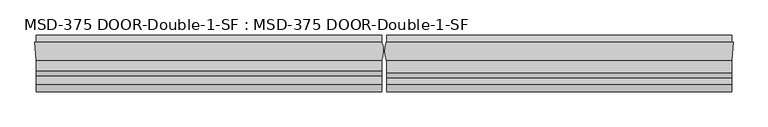
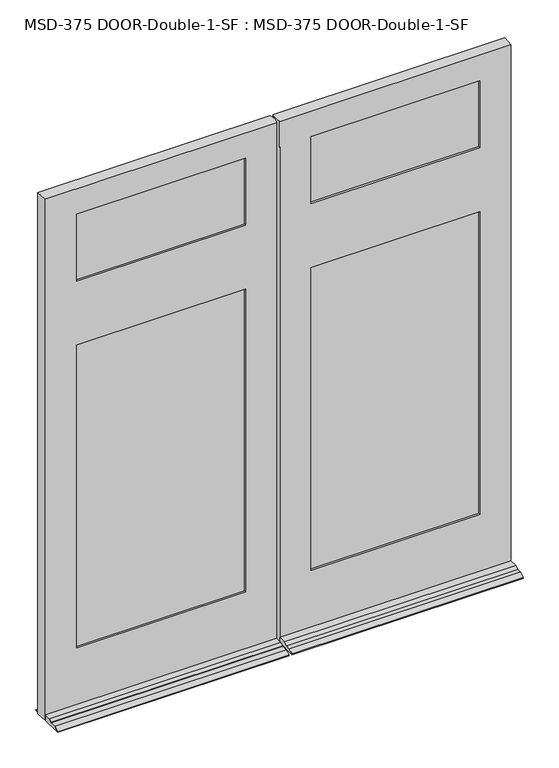
"""IFC4 building model written with IfcOpenShell, lengths in millimetres: plate geometry, MSD-375 DOOR-Double-1-SF : MSD-375 DOOR-Double-1-SF."""

from ifc_helpers import new_model, si_unit, frame, origin, place, context, project, spatial, polyline, circle_curve, outline, extrude, source, transform, mapped, element, save
from ifc_brep_helpers import plane_surface, cylinder_surface, advanced_brep


def msd_375_door_double_1_sf_msd_375_door_double_1_sf_9c997aa2(model_context):
    return source(origin(), model_context, "Body", "SolidModel", [
        advanced_brep(
        [(-875.0542327, -44.45, 0.0), (-877.8228327, 0.0, 0.0), (-874.8313901, 0.0, 0.0), (-874.8313901, 19.05, 0.0), (-6.1450388, 19.05, 0.0), (-6.1450388, 0.0, 0.0), (-5.5889985, 0.0, 0.0), (-6.1450388, -44.45, 0.0), (-6.1450388, -123.825, 0.0), (-874.8313901, -123.825, 0.0), (-874.8313901, -44.45, 0.0), (-6.1450388, -44.45, 21.4376), (-6.1450388, -70.3199, 21.4376), (-6.1450388, -82.7405, 14.2748), (-6.1450388, -82.7405, 12.7), (-6.1450388, -104.775, 12.7), (-6.1450388, -123.825, 3.175), (-6.1450388, 19.05, 3.175), (-6.1450388, 0.0, 12.7), (-874.8313901, 0.0, 12.7), (-874.8313901, 19.05, 3.175), (-874.8313901, -123.825, 3.175), (-874.8313901, -104.775, 12.7), (-874.8313901, -82.7405, 12.7), (-874.8313901, -82.7405, 14.2748), (-874.8313901, -70.3199, 21.4376), (-874.8313901, -44.45, 21.4376), (-122.2373508, -11.6078, 1683.5374), (-122.2373508, -37.0078, 1683.5374), (-122.2373508, -37.0078, 1469.2122), (-122.2373508, -11.6078, 1469.2122), (-122.2373508, 0.0, 1449.3748), (-122.2373508, 0.0, 246.0625), (-122.2373508, -11.6078, 246.0625), (-122.2373508, -11.6078, 1449.3748), (-122.2373508, -11.6078, 1703.3748), (-122.2373508, -11.6078, 1968.5), (-122.2373508, 0.0, 1968.5), (-122.2373508, 0.0, 1703.3748), (-102.3999508, -37.0078, 1988.3374), (-102.3999508, -11.6078, 1988.3374), (-102.3999508, -11.6078, 226.21875), (-102.3999508, -37.0078, 226.21875), (-122.2373508, -37.0078, 1449.3748), (-122.2373508, -37.0078, 246.0625), (-122.2373508, -44.45, 246.0625), (-122.2373508, -44.45, 1449.3748), (-122.2373508, -44.45, 1703.3748), (-122.2373508, -44.45, 1968.5), (-122.2373508, -37.0078, 1968.5), (-122.2373508, -37.0078, 1703.3748), (-757.1728327, -44.45, 246.0625), (-757.1728327, -37.0078, 246.0625), (-757.1728327, -37.0078, 1449.3748), (-757.1728327, -44.45, 1449.3748), (-757.1728327, -37.0078, 1968.5), (-757.1728327, -44.45, 1968.5), (-757.1728327, -44.45, 1703.3748), (-757.1728327, -37.0078, 1703.3748), (-777.0102327, -11.6078, 1988.3374), (-777.0102327, -37.0078, 1988.3374), (-777.0102327, -37.0078, 226.21875), (-777.0102327, -11.6078, 226.21875), (-757.1728327, -11.6078, 246.0625), (-757.1728327, 0.0, 246.0625), (-757.1728327, 0.0, 1449.3748), (-757.1728327, -11.6078, 1449.3748), (-757.1728327, 0.0, 1968.5), (-757.1728327, -11.6078, 1968.5), (-757.1728327, -11.6078, 1703.3748), (-757.1728327, 0.0, 1703.3748), (-757.1728327, -11.6078, 1683.5374), (-757.1728327, -37.0078, 1683.5374), (-757.1728327, -37.0078, 1469.2122), (-757.1728327, -11.6078, 1469.2122), (-5.5889985, 0.0, 2070.1), (-6.1450388, -44.45, 2070.1), (-875.0542327, -44.45, 2070.1), (-877.8228327, 0.0, 2070.1)],
        [
            (0, 1),
            (1, 2),
            (2, 3),
            (3, 4),
            (4, 5),
            (5, 6),
            (6, 7, circle_curve(frame((-61.4514685, -21.529675, 0.0), z_axis=(0.0, 0.0, -1.0), x_axis=(0.0, -1.0, 0.0)), 59.867708)),
            (7, 8),
            (8, 9),
            (9, 10),
            (10, 0),
            (11, 12),
            (12, 13),
            (13, 14),
            (14, 15),
            (15, 16),
            (16, 8),
            (7, 11),
            (4, 17),
            (17, 18),
            (18, 5),
            (19, 20),
            (20, 3),
            (2, 19),
            (9, 21),
            (21, 22),
            (22, 23),
            (23, 24),
            (24, 25),
            (25, 26),
            (26, 10),
            (27, 28),
            (28, 29),
            (29, 30),
            (30, 27),
            (31, 32),
            (32, 33),
            (33, 34),
            (34, 31),
            (35, 36),
            (36, 37),
            (37, 38),
            (38, 35),
            (39, 40),
            (40, 41),
            (41, 42),
            (42, 39),
            (43, 44),
            (44, 45),
            (45, 46),
            (46, 43),
            (47, 48),
            (48, 49),
            (49, 50),
            (50, 47),
            (51, 52),
            (52, 53),
            (53, 54),
            (54, 51),
            (55, 56),
            (56, 57),
            (57, 58),
            (58, 55),
            (59, 60),
            (60, 61),
            (61, 62),
            (62, 59),
            (63, 64),
            (64, 65),
            (65, 66),
            (66, 63),
            (67, 68),
            (68, 69),
            (69, 70),
            (70, 67),
            (63, 33),
            (32, 64),
            (61, 42),
            (41, 62),
            (51, 45),
            (44, 52),
            (11, 26),
            (25, 12),
            (24, 13),
            (23, 14),
            (22, 15),
            (21, 16),
            (20, 17),
            (19, 18),
            (38, 70),
            (69, 35),
            (27, 71),
            (71, 72),
            (72, 28),
            (50, 58),
            (57, 47),
            (46, 54),
            (53, 43),
            (29, 73),
            (73, 74),
            (74, 30),
            (34, 66),
            (65, 31),
            (75, 76, circle_curve(frame((-61.4514685, -21.529675, 2070.1), z_axis=(0.0, 0.0, -1.0), x_axis=(0.0, -1.0, 0.0)), 59.867708)),
            (76, 11),
            (6, 75),
            (77, 78),
            (78, 1),
            (0, 77),
            (78, 75),
            (37, 67),
            (36, 68),
            (40, 59),
            (74, 71),
            (39, 60),
            (49, 55),
            (72, 73),
            (48, 56),
            (76, 77),
        ],
        [
            plane_surface(frame((-882.65, -24.3078, 0.0), z_axis=(0.0, 0.0, -1.0), x_axis=(0.0, -1.0, 0.0))),
            plane_surface(frame((-6.1450388, -24.3078, 0.0), z_axis=(1.0, 0.0, 0.0), x_axis=(0.0, -1.0, 0.0))),
            plane_surface(frame((-874.8313901, -24.3078, 0.0), z_axis=(-1.0, 0.0, 0.0), x_axis=(0.0, -1.0, 0.0))),
            plane_surface(frame((-122.2373508, -24.3078, 1041.4), z_axis=(1.0, 0.0, 0.0), x_axis=(0.0, -1.0, 0.0))),
            plane_surface(frame((-122.2373508, 0.0, 2070.1), z_axis=(-1.0, 0.0, 0.0), x_axis=(0.0, 0.0, -1.0))),
            plane_surface(frame((-102.3999508, -11.6078, 2070.1), z_axis=(-1.0, 0.0, 0.0), x_axis=(0.0, 0.0, -1.0))),
            plane_surface(frame((-122.2373508, -37.0078, 2070.1), z_axis=(-1.0, 0.0, 0.0), x_axis=(0.0, 0.0, -1.0))),
            plane_surface(frame((-757.1728327, -44.45, 2070.1), z_axis=(1.0, 0.0, 0.0), x_axis=(0.0, 0.0, -1.0))),
            plane_surface(frame((-777.0102327, -37.0078, 2070.1), z_axis=(1.0, 0.0, 0.0), x_axis=(0.0, 0.0, -1.0))),
            plane_surface(frame((-757.1728327, -11.6078, 2070.1), z_axis=(1.0, 0.0, 0.0), x_axis=(0.0, 0.0, -1.0))),
            plane_surface(frame((-6.1450388, 0.0, 246.0625), z_axis=(0.0, 0.0, 1.0), x_axis=(-1.0, 0.0, 0.0))),
            plane_surface(frame((-6.1450388, -11.6078, 226.21875), z_axis=(0.0, 0.0, 1.0), x_axis=(-1.0, 0.0, 0.0))),
            plane_surface(frame((-6.1450388, -37.0078, 246.0625), z_axis=(0.0, 0.0, 1.0), x_axis=(-1.0, 0.0, 0.0))),
            plane_surface(frame((-6.1450388, -44.45, 21.4376), z_axis=(0.0, 0.0, 1.0), x_axis=(-1.0, 0.0, 0.0))),
            plane_surface(frame((-6.1450388, -70.3199, 21.4376), z_axis=(0.0, -0.499569084188723, 0.8662740502420933), x_axis=(-1.0, 0.0, 0.0))),
            plane_surface(frame((-6.1450388, -82.7405, 14.2748), z_axis=(0.0, -1.0, 0.0), x_axis=(-1.0, 0.0, 0.0))),
            plane_surface(frame((-6.1450388, -82.7405, 12.7), z_axis=(0.0, 0.0, 1.0), x_axis=(-1.0, 0.0, 0.0))),
            plane_surface(frame((-6.1450388, -104.775, 12.7), z_axis=(0.0, -0.44721359549995665, 0.8944271909999165), x_axis=(-1.0, 0.0, 0.0))),
            plane_surface(frame((-6.1450388, -123.825, 3.175), z_axis=(0.0, -1.0, 0.0), x_axis=(-1.0, 0.0, 0.0))),
            plane_surface(frame((-6.1450388, 19.05, 0.0), z_axis=(0.0, 1.0, 0.0), x_axis=(-1.0, 0.0, 0.0))),
            plane_surface(frame((-6.1450388, 19.05, 3.175), z_axis=(0.0, 0.4472135954998658, 0.8944271909999619), x_axis=(-1.0, 0.0, 0.0))),
            plane_surface(frame((-122.2373508, 0.0, 1703.3748), z_axis=(0.0, 0.0, 1.0), x_axis=(-1.0, 0.0, 0.0))),
            plane_surface(frame((-122.2373508, -11.6078, 1683.5374), z_axis=(0.0, 0.0, 1.0), x_axis=(-1.0, 0.0, 0.0))),
            plane_surface(frame((-122.2373508, -37.0078, 1703.3748), z_axis=(0.0, 0.0, 1.0), x_axis=(-1.0, 0.0, 0.0))),
            plane_surface(frame((-122.2373508, -44.45, 1449.3748), z_axis=(0.0, 0.0, -1.0), x_axis=(-1.0, 0.0, 0.0))),
            plane_surface(frame((-122.2373508, -37.0078, 1469.2122), z_axis=(0.0, 0.0, -1.0), x_axis=(-1.0, 0.0, 0.0))),
            plane_surface(frame((-122.2373508, -11.6078, 1449.3748), z_axis=(0.0, 0.0, -1.0), x_axis=(-1.0, 0.0, 0.0))),
            cylinder_surface(frame((-61.4514685, -21.529675, 2070.1), z_axis=(0.0, 0.0, 1.0), x_axis=(0.0, -1.0, 0.0)), 59.867708),
            plane_surface(frame((-877.8228327, 0.0, 2070.1), z_axis=(-0.9980658706879192, -0.06216524565998223, 0.0), x_axis=(0.0, 0.0, -1.0))),
            plane_surface(frame((-875.0542327, 0.0, 2070.1), z_axis=(0.0, 1.0, 0.0), x_axis=(1.0, 0.0, 0.0))),
            plane_surface(frame((-875.0542327, 0.0, 1968.5), z_axis=(0.0, 0.0, -1.0), x_axis=(1.0, 0.0, 0.0))),
            plane_surface(frame((-875.0542327, -11.6078, 1968.5), z_axis=(0.0, -1.0, 0.0), x_axis=(1.0, 0.0, 0.0))),
            plane_surface(frame((-875.0542327, -11.6078, 1988.3374), z_axis=(0.0, 0.0, -1.0), x_axis=(1.0, 0.0, 0.0))),
            plane_surface(frame((-875.0542327, -37.0078, 1988.3374), z_axis=(0.0, 1.0, 0.0), x_axis=(1.0, 0.0, 0.0))),
            plane_surface(frame((-875.0542327, -37.0078, 1968.5), z_axis=(0.0, 0.0, -1.0), x_axis=(1.0, 0.0, 0.0))),
            plane_surface(frame((-875.0542327, -44.45, 1968.5), z_axis=(0.0, -1.0, 0.0), x_axis=(1.0, 0.0, 0.0))),
            plane_surface(frame((-875.0542327, -44.45, 2070.1), z_axis=(0.0, 0.0, 1.0), x_axis=(1.0, 0.0, 0.0))),
            plane_surface(frame((-757.1728327, -24.3078, 1041.4), z_axis=(-1.0, 0.0, 0.0), x_axis=(0.0, -1.0, 0.0))),
        ],
        [
            (0, [[1, 2, 3, 4, 5, 6, 7, 8, 9, 10, 11]]),
            (1, [[12, 13, 14, 15, 16, 17, -8, 18]]),
            (1, [[19, 20, 21, -5]]),
            (2, [[22, 23, -3, 24]]),
            (2, [[25, 26, 27, 28, 29, 30, 31, -10]]),
            (3, [[32, 33, 34, 35]]),
            (4, [[36, 37, 38, 39]]),
            (4, [[40, 41, 42, 43]]),
            (5, [[44, 45, 46, 47]]),
            (6, [[48, 49, 50, 51]]),
            (6, [[52, 53, 54, 55]]),
            (7, [[56, 57, 58, 59]]),
            (7, [[60, 61, 62, 63]]),
            (8, [[64, 65, 66, 67]]),
            (9, [[68, 69, 70, 71]]),
            (9, [[72, 73, 74, 75]]),
            (10, [[-68, 76, -37, 77]]),
            (11, [[-66, 78, -46, 79]]),
            (12, [[-56, 80, -49, 81]]),
            (13, [[-12, 82, -30, 83]]),
            (14, [[-13, -83, -29, 84]]),
            (15, [[-14, -84, -28, 85]]),
            (16, [[-15, -85, -27, 86]]),
            (17, [[-16, -86, -26, 87]]),
            (18, [[-17, -87, -25, -9]]),
            (19, [[-19, -4, -23, 88]]),
            (20, [[-20, -88, -22, 89]]),
            (21, [[90, -74, 91, -43]]),
            (22, [[-32, 92, 93, 94]]),
            (23, [[95, -62, 96, -55]]),
            (24, [[97, -58, 98, -51]]),
            (25, [[-34, 99, 100, 101]]),
            (26, [[102, -70, 103, -39]]),
            (27, [[104, 105, -18, -7, 106]]),
            (28, [[107, 108, -1, 109]]),
            (29, [[-108, 110, -106, -6, -21, -89, -24, -2], [-90, -42, 111, -75], [-103, -69, -77, -36]]),
            (30, [[-72, -111, -41, 112]]),
            (31, [[-67, -79, -45, 113], [-92, -35, -101, 114], [-102, -38, -76, -71], [-91, -73, -112, -40]]),
            (32, [[-64, -113, -44, 115]]),
            (33, [[-65, -115, -47, -78], [-95, -54, 116, -63], [-94, 117, -99, -33], [-98, -57, -81, -48]]),
            (34, [[-60, -116, -53, 118]]),
            (35, [[-109, -11, -31, -82, -105, 119], [-97, -50, -80, -59], [-96, -61, -118, -52]]),
            (36, [[-107, -119, -104, -110]]),
            (37, [[-100, -117, -93, -114]]),
        ],
    ),
        advanced_brep(
        [(6.1450388, -44.45, 0.0), (5.5889985, 0.0, 0.0), (6.1450388, 0.0, 0.0), (6.1450388, 19.05, 0.0), (874.3187994, 19.05, 0.0), (874.3187994, 0.0, 0.0), (877.310242, 0.0, 0.0), (874.541642, -44.45, 0.0), (874.3187994, -44.45, 0.0), (874.3187994, -123.825, 0.0), (6.1450388, -123.825, 0.0), (874.3187994, -44.45, 21.4376), (874.3187994, -75.87615, 21.4376), (874.3187994, -88.29675, 14.2748), (874.3187994, -88.29675, 12.7), (874.3187994, -104.775, 12.7), (874.3187994, -123.825, 3.175), (874.3187994, 19.05, 3.175), (874.3187994, 0.0, 12.7), (6.1450388, 0.0, 12.7), (6.1450388, 19.05, 3.175), (6.1450388, -123.825, 3.175), (6.1450388, -104.775, 12.7), (6.1450388, -88.29675, 12.7), (6.1450388, -88.29675, 14.2748), (6.1450388, -75.87615, 21.4376), (6.1450388, -44.45, 21.4376), (5.5889985, -44.45, 1968.5), (5.5889985, -44.45, 2070.1), (5.5889985, -43.05935, 2070.1), (5.5889985, -43.05935, 1968.5), (122.2376492, -37.0078, 1683.5374), (122.2376492, -11.6078, 1683.5374), (122.2376492, -11.6078, 1469.2249), (122.2376492, -37.0078, 1469.2249), (122.2376492, -37.0078, 1968.5), (122.2376492, -44.45, 1968.5), (122.2376492, -44.45, 1703.3748), (122.2376492, -37.0078, 1703.3748), (122.2376492, -37.0078, 1449.3748), (122.2376492, -44.45, 1449.3748), (122.2376492, -44.45, 246.0625), (122.2376492, -37.0078, 246.0625), (102.4002492, -11.6078, 226.21875), (102.4002492, -11.6078, 1988.3374), (102.4002492, -37.0078, 1988.3374), (102.4002492, -37.0078, 226.21875), (122.2376492, 0.0, 1968.5), (122.2376492, -11.6078, 1968.5), (122.2376492, -11.6078, 1703.3748), (122.2376492, 0.0, 1703.3748), (122.2376492, 0.0, 1449.3748), (122.2376492, -11.6078, 1449.3748), (122.2376492, -11.6078, 246.0625), (122.2376492, 0.0, 246.0625), (756.660242, -11.6078, 1968.5), (756.660242, 0.0, 1968.5), (756.660242, 0.0, 1703.3748), (756.660242, -11.6078, 1703.3748), (756.660242, -11.6078, 1449.3748), (756.660242, 0.0, 1449.3748), (756.660242, 0.0, 246.0625), (756.660242, -11.6078, 246.0625), (776.497642, -11.6078, 1988.3374), (776.497642, -11.6078, 226.21875), (756.660242, -11.6078, 1469.2249), (756.660242, -11.6078, 1683.5374), (776.497642, -37.0078, 226.21875), (776.497642, -37.0078, 1988.3374), (756.660242, -37.0078, 246.0625), (756.660242, -37.0078, 1449.3748), (756.660242, -37.0078, 1968.5), (756.660242, -37.0078, 1703.3748), (756.660242, -37.0078, 1469.2249), (756.660242, -37.0078, 1683.5374), (756.660242, -44.45, 1968.5), (756.660242, -44.45, 1703.3748), (756.660242, -44.45, 1449.3748), (756.660242, -44.45, 246.0625), (6.1450388, -44.45, 1968.5), (874.541642, -44.45, 2070.1), (877.310242, 0.0, 2070.1), (5.5889985, 0.0, 2070.1)],
        [
            (0, 1, circle_curve(frame((61.4514685, -21.529675, 0.0), z_axis=(0.0, 0.0, -1.0), x_axis=(0.0, -1.0, 0.0)), 59.867708)),
            (1, 2),
            (2, 3),
            (3, 4),
            (4, 5),
            (5, 6),
            (6, 7),
            (7, 8),
            (8, 9),
            (9, 10),
            (10, 0),
            (11, 12),
            (12, 13),
            (13, 14),
            (14, 15),
            (15, 16),
            (16, 9),
            (8, 11),
            (4, 17),
            (17, 18),
            (18, 5),
            (19, 20),
            (20, 3),
            (2, 19),
            (10, 21),
            (21, 22),
            (22, 23),
            (23, 24),
            (24, 25),
            (25, 26),
            (26, 0),
            (27, 28),
            (28, 29),
            (29, 30),
            (30, 27),
            (31, 32),
            (32, 33),
            (33, 34),
            (34, 31),
            (35, 36),
            (36, 37),
            (37, 38),
            (38, 35),
            (39, 40),
            (40, 41),
            (41, 42),
            (42, 39),
            (43, 44),
            (44, 45),
            (45, 46),
            (46, 43),
            (47, 48),
            (48, 49),
            (49, 50),
            (50, 47),
            (51, 52),
            (52, 53),
            (53, 54),
            (54, 51),
            (55, 56),
            (56, 57),
            (57, 58),
            (58, 55),
            (59, 60),
            (60, 61),
            (61, 62),
            (62, 59),
            (63, 44),
            (43, 64),
            (64, 63),
            (62, 53),
            (52, 59),
            (48, 55),
            (58, 49),
            (65, 33),
            (32, 66),
            (66, 65),
            (67, 68),
            (68, 63),
            (64, 67),
            (45, 68),
            (67, 46),
            (42, 69),
            (69, 70),
            (70, 39),
            (71, 35),
            (38, 72),
            (72, 71),
            (34, 73),
            (73, 74),
            (74, 31),
            (75, 71),
            (72, 76),
            (76, 75),
            (77, 70),
            (69, 78),
            (78, 77),
            (27, 79),
            (79, 26),
            (26, 11),
            (7, 80),
            (80, 28),
            (78, 41),
            (40, 77),
            (36, 75),
            (76, 37),
            (81, 80),
            (6, 81),
            (18, 19),
            (1, 82),
            (82, 81),
            (54, 61),
            (60, 51),
            (56, 47),
            (50, 57),
            (30, 79, circle_curve(frame((61.4514685, -21.529675, 1968.5), z_axis=(0.0, 0.0, 1.0), x_axis=(0.0, -1.0, 0.0)), 59.867708)),
            (25, 12),
            (65, 73),
            (74, 66),
            (29, 82, circle_curve(frame((61.4514685, -21.529675, 2070.1), z_axis=(0.0, 0.0, -1.0), x_axis=(0.0, -1.0, 0.0)), 59.867708)),
            (24, 13),
            (23, 14),
            (22, 15),
            (21, 16),
            (20, 17),
        ],
        [
            plane_surface(frame((-882.65, -24.3078, 0.0), z_axis=(0.0, 0.0, -1.0), x_axis=(0.0, -1.0, 0.0))),
            plane_surface(frame((874.3187994, -24.3078, 0.0), z_axis=(1.0, 0.0, 0.0), x_axis=(0.0, -1.0, 0.0))),
            plane_surface(frame((6.1450388, -24.3078, 0.0), z_axis=(-1.0, 0.0, 0.0), x_axis=(0.0, -1.0, 0.0))),
            plane_surface(frame((5.5889985, -24.3078, 2082.8), z_axis=(-1.0, 0.0, 0.0), x_axis=(0.0, -1.0, 0.0))),
            plane_surface(frame((122.2376492, -24.3078, 1041.4), z_axis=(-1.0, 0.0, 0.0), x_axis=(0.0, -1.0, 0.0))),
            plane_surface(frame((122.2376492, -44.45, 2070.1), z_axis=(1.0, 0.0, 0.0), x_axis=(0.0, 0.0, -1.0))),
            plane_surface(frame((102.4002492, -37.0078, 2070.1), z_axis=(1.0, 0.0, 0.0), x_axis=(0.0, 0.0, -1.0))),
            plane_surface(frame((122.2376492, -11.6078, 2070.1), z_axis=(1.0, 0.0, 0.0), x_axis=(0.0, 0.0, -1.0))),
            plane_surface(frame((756.660242, 0.0, 2070.1), z_axis=(-1.0, 0.0, 0.0), x_axis=(0.0, 0.0, -1.0))),
            plane_surface(frame((756.660242, -11.6078, 2070.1), z_axis=(0.0, -1.0, 0.0), x_axis=(0.0, 0.0, -1.0))),
            plane_surface(frame((776.497642, -11.6078, 2070.1), z_axis=(-1.0, 0.0, 0.0), x_axis=(0.0, 0.0, -1.0))),
            plane_surface(frame((776.497642, -37.0078, 2070.1), z_axis=(0.0, 1.0, 0.0), x_axis=(0.0, 0.0, -1.0))),
            plane_surface(frame((756.660242, -37.0078, 2070.1), z_axis=(-1.0, 0.0, 0.0), x_axis=(0.0, 0.0, -1.0))),
            plane_surface(frame((756.660242, -44.45, 2070.1), z_axis=(0.0, -1.0, 0.0), x_axis=(0.0, 0.0, -1.0))),
            plane_surface(frame((874.541642, -44.45, 2070.1), z_axis=(0.9980658706879184, -0.062165245659993755, 0.0), x_axis=(0.0, 0.0, -1.0))),
            plane_surface(frame((877.310242, 0.0, 2070.1), z_axis=(0.0, 1.0, 0.0), x_axis=(0.0, 0.0, -1.0))),
            plane_surface(frame((5.5889985, 0.0, 1968.5), z_axis=(0.0, 0.0, -1.0), x_axis=(1.0, 0.0, 0.0))),
            plane_surface(frame((5.5889985, -11.6078, 1988.3374), z_axis=(0.0, 0.0, -1.0), x_axis=(1.0, 0.0, 0.0))),
            plane_surface(frame((5.5889985, -37.0078, 1968.5), z_axis=(0.0, 0.0, -1.0), x_axis=(1.0, 0.0, 0.0))),
            plane_surface(frame((874.3187994, 0.0, 246.0625), z_axis=(0.0, 0.0, 1.0), x_axis=(-1.0, 0.0, 0.0))),
            plane_surface(frame((874.3187994, -11.6078, 226.21875), z_axis=(0.0, 0.0, 1.0), x_axis=(-1.0, 0.0, 0.0))),
            plane_surface(frame((874.3187994, -37.0078, 246.0625), z_axis=(0.0, 0.0, 1.0), x_axis=(-1.0, 0.0, 0.0))),
            plane_surface(frame((874.3187994, -44.45, 21.4376), z_axis=(0.0, 0.0, 1.0), x_axis=(-1.0, 0.0, 0.0))),
            plane_surface(frame((756.660242, -44.45, 1449.3748), z_axis=(0.0, 0.0, -1.0), x_axis=(-1.0, 0.0, 0.0))),
            plane_surface(frame((756.660242, -37.0078, 1469.2249), z_axis=(0.0, 0.0, -1.0), x_axis=(-1.0, 0.0, 0.0))),
            plane_surface(frame((756.660242, -11.6078, 1449.3748), z_axis=(0.0, 0.0, -1.0), x_axis=(-1.0, 0.0, 0.0))),
            plane_surface(frame((756.660242, 0.0, 1703.3748), z_axis=(0.0, 0.0, 1.0), x_axis=(-1.0, 0.0, 0.0))),
            plane_surface(frame((756.660242, -11.6078, 1683.5374), z_axis=(0.0, 0.0, 1.0), x_axis=(-1.0, 0.0, 0.0))),
            plane_surface(frame((756.660242, -37.0078, 1703.3748), z_axis=(0.0, 0.0, 1.0), x_axis=(-1.0, 0.0, 0.0))),
            cylinder_surface(frame((61.4514685, -21.529675, 2070.1), z_axis=(0.0, 0.0, 1.0), x_axis=(0.0, -1.0, 0.0)), 59.867708),
            plane_surface(frame((-875.0542327, -44.45, 2070.1), z_axis=(0.0, 0.0, 1.0), x_axis=(1.0, 0.0, 0.0))),
            plane_surface(frame((874.3187994, -75.87615, 21.4376), z_axis=(0.0, -0.49956908418867013, 0.8662740502421237), x_axis=(-1.0, 0.0, 0.0))),
            plane_surface(frame((874.3187994, -88.29675, 14.2748), z_axis=(0.0, -1.0, 0.0), x_axis=(-1.0, 0.0, 0.0))),
            plane_surface(frame((874.3187994, -88.29675, 12.7), z_axis=(0.0, 0.0, 1.0), x_axis=(-1.0, 0.0, 0.0))),
            plane_surface(frame((874.3187994, -104.775, 12.7), z_axis=(0.0, -0.44721359549996115, 0.8944271909999144), x_axis=(-1.0, 0.0, 0.0))),
            plane_surface(frame((874.3187994, -123.825, 3.175), z_axis=(0.0, -1.0, 0.0), x_axis=(-1.0, 0.0, 0.0))),
            plane_surface(frame((874.3187994, 19.05, 0.0), z_axis=(0.0, 1.0, 0.0), x_axis=(-1.0, 0.0, 0.0))),
            plane_surface(frame((874.3187994, 19.05, 3.175), z_axis=(0.0, 0.4472135954999116, 0.8944271909999391), x_axis=(-1.0, 0.0, 0.0))),
            plane_surface(frame((756.660242, -24.3078, 1041.4), z_axis=(1.0, 0.0, 0.0), x_axis=(0.0, -1.0, 0.0))),
        ],
        [
            (0, [[1, 2, 3, 4, 5, 6, 7, 8, 9, 10, 11]]),
            (1, [[12, 13, 14, 15, 16, 17, -9, 18]]),
            (1, [[19, 20, 21, -5]]),
            (2, [[22, 23, -3, 24]]),
            (2, [[25, 26, 27, 28, 29, 30, 31, -11]]),
            (3, [[32, 33, 34, 35]]),
            (4, [[36, 37, 38, 39]]),
            (5, [[40, 41, 42, 43]]),
            (5, [[44, 45, 46, 47]]),
            (6, [[48, 49, 50, 51]]),
            (7, [[52, 53, 54, 55]]),
            (7, [[56, 57, 58, 59]]),
            (8, [[60, 61, 62, 63]]),
            (8, [[64, 65, 66, 67]]),
            (9, [[68, -48, 69, 70], [-67, 71, -57, 72], [73, -63, 74, -53], [75, -37, 76, 77]]),
            (10, [[78, 79, -70, 80]]),
            (11, [[81, -78, 82, -50], [-47, 83, 84, 85], [86, -43, 87, 88], [89, 90, 91, -39]]),
            (12, [[92, -88, 93, 94]]),
            (12, [[95, -84, 96, 97]]),
            (13, [[-32, 98, 99, 100, -18, -8, 101, 102], [-97, 103, -45, 104], [105, -94, 106, -41]]),
            (14, [[107, -101, -7, 108]]),
            (15, [[-108, -6, -21, 109, -24, -2, 110, 111], [-59, 112, -65, 113], [114, -55, 115, -61]]),
            (16, [[-73, -52, -114, -60]]),
            (17, [[-79, -81, -49, -68]]),
            (18, [[-98, -35, 116]]),
            (18, [[-105, -40, -86, -92]]),
            (19, [[-112, -58, -71, -66]]),
            (20, [[-82, -80, -69, -51]]),
            (21, [[-83, -46, -103, -96]]),
            (22, [[-12, -100, -30, 117]]),
            (23, [[-104, -44, -85, -95]]),
            (24, [[118, -89, -38, -75]]),
            (25, [[-72, -56, -113, -64]]),
            (26, [[-115, -54, -74, -62]]),
            (27, [[119, -76, -36, -91]]),
            (28, [[-106, -93, -87, -42]]),
            (29, [[-1, -31, -99, -116, -34, 120, -110]]),
            (30, [[-107, -111, -120, -33, -102]]),
            (31, [[-13, -117, -29, 121]]),
            (32, [[-14, -121, -28, 122]]),
            (33, [[-15, -122, -27, 123]]),
            (34, [[-16, -123, -26, 124]]),
            (35, [[-17, -124, -25, -10]]),
            (36, [[-19, -4, -23, 125]]),
            (37, [[-109, -20, -125, -22]]),
            (38, [[-118, -77, -119, -90]]),
        ],
    ),
        extrude(outline(polyline([(-777.0102327, -11.6078), (-102.3999508, -11.6078), (-102.3999508, -16.6878), (-777.0102327, -16.6878), (-777.0102327, -11.6078)])), frame((0.0, 0.0, 1683.5374), z_axis=(0.0, 0.0, 1.0), x_axis=(1.0, 0.0, 0.0)), (0.0, 0.0, 1.0), 304.8),
        extrude(outline(polyline([(-102.4001, -26.0858), (-102.4001, -31.1658), (-777.0102327, -31.1658), (-777.0102327, -26.0858), (-102.4001, -26.0858)])), frame((0.0, 0.0, 1683.5374), z_axis=(0.0, 0.0, 1.0), x_axis=(1.0, 0.0, 0.0)), (0.0, 0.0, 1.0), 304.8),
        extrude(outline(polyline([(-102.4001, -31.9278), (-102.4001, -37.0078), (-777.0102327, -37.0078), (-777.0102327, -31.9278), (-102.4001, -31.9278)])), frame((0.0, 0.0, 1683.5374), z_axis=(0.0, 0.0, 1.0), x_axis=(1.0, 0.0, 0.0)), (0.0, 0.0, 1.0), 304.8),
        extrude(outline(polyline([(-777.0102327, -11.6078), (-102.4001, -11.6078), (-102.4001, -16.6878), (-777.0102327, -16.6878), (-777.0102327, -11.6078)])), frame((0.0, 0.0, 226.21875), z_axis=(0.0, 0.0, 1.0), x_axis=(1.0, 0.0, 0.0)), (0.0, 0.0, 1.0), 1243.00615),
        extrude(outline(polyline([(-102.4001, -26.0858), (-102.4001, -31.1658), (-777.0102327, -31.1658), (-777.0102327, -26.0858), (-102.4001, -26.0858)])), frame((0.0, 0.0, 226.21875), z_axis=(0.0, 0.0, 1.0), x_axis=(1.0, 0.0, 0.0)), (0.0, 0.0, 1.0), 1243.00615),
        extrude(outline(polyline([(-777.0102327, -31.9278), (-102.4001, -31.9278), (-102.4001, -37.0078), (-777.0102327, -37.0078), (-777.0102327, -31.9278)])), frame((0.0, 0.0, 226.21875), z_axis=(0.0, 0.0, 1.0), x_axis=(1.0, 0.0, 0.0)), (0.0, 0.0, 1.0), 1243.00615),
        extrude(outline(polyline([(776.497642, -11.6078), (776.497642, -16.6878), (102.4002492, -16.6878), (102.4002492, -11.6078), (776.497642, -11.6078)])), frame((0.0, 0.0, 1683.5374), z_axis=(0.0, 0.0, 1.0), x_axis=(1.0, 0.0, 0.0)), (0.0, 0.0, 1.0), 304.8),
        extrude(outline(polyline([(102.4002492, -26.0858), (776.497642, -26.0858), (776.497642, -31.1658), (102.4002492, -31.1658), (102.4002492, -26.0858)])), frame((0.0, 0.0, 1683.5374), z_axis=(0.0, 0.0, 1.0), x_axis=(1.0, 0.0, 0.0)), (0.0, 0.0, 1.0), 304.8),
        extrude(outline(polyline([(776.497642, -31.9278), (776.497642, -37.0078), (102.4002492, -37.0078), (102.4002492, -31.9278), (776.497642, -31.9278)])), frame((0.0, 0.0, 1683.5374), z_axis=(0.0, 0.0, 1.0), x_axis=(1.0, 0.0, 0.0)), (0.0, 0.0, 1.0), 304.8),
        extrude(outline(polyline([(102.4002492, -11.6078), (776.497642, -11.6078), (776.497642, -16.6878), (102.4002492, -16.6878), (102.4002492, -11.6078)])), frame((0.0, 0.0, 226.21875), z_axis=(0.0, 0.0, 1.0), x_axis=(1.0, 0.0, 0.0)), (0.0, 0.0, 1.0), 1243.00615),
        extrude(outline(polyline([(776.497642, -26.0858), (776.497642, -31.1658), (102.4002492, -31.1658), (102.4002492, -26.0858), (776.497642, -26.0858)])), frame((0.0, 0.0, 226.21875), z_axis=(0.0, 0.0, 1.0), x_axis=(1.0, 0.0, 0.0)), (0.0, 0.0, 1.0), 1243.00615),
        extrude(outline(polyline([(102.4002492, -31.9278), (776.497642, -31.9278), (776.497642, -37.0078), (102.4002492, -37.0078), (102.4002492, -31.9278)])), frame((0.0, 0.0, 226.21875), z_axis=(0.0, 0.0, 1.0), x_axis=(1.0, 0.0, 0.0)), (0.0, 0.0, 1.0), 1243.00615),
    ])


if __name__ == "__main__":
    model = new_model("IFC4")
    model_context = context("Model", 3, world=origin())
    ifc_project = project(units=[si_unit("LENGTHUNIT", "METRE", prefix="MILLI")], contexts=[model_context])
    site = spatial("IfcSite", under=ifc_project)
    building = spatial("IfcBuilding", under=site)
    placement = place(None, origin())
    msd_375_door_double_1_sf_msd_375_door_double_1_sf_shape = msd_375_door_double_1_sf_msd_375_door_double_1_sf_9c997aa2(model_context)
    element("IfcPlate", 1, ObjectType="MSD-375 DOOR-Double-1-SF : MSD-375 DOOR-Double-1-SF", at=placement, inside=building, context=model_context, shape_type="MappedRepresentation", body=[
        mapped(msd_375_door_double_1_sf_msd_375_door_double_1_sf_shape, transform((0.0, 0.0, 0.0), x_axis=(1.0, 0.0, 0.0), y_axis=(0.0, 1.0, 0.0), z_axis=(0.0, 0.0, 1.0))),
    ])
    save(model, "model.ifc")
